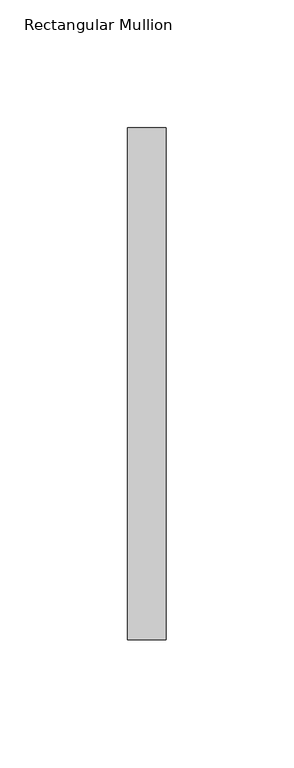
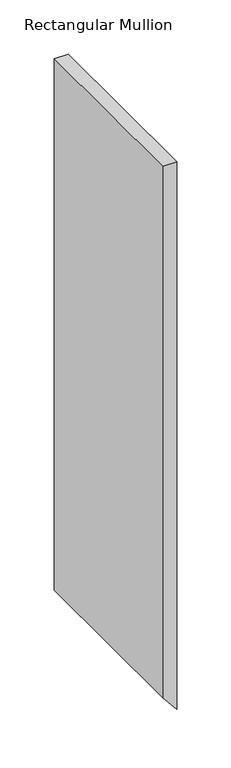
"""IFC4 building model written with IfcOpenShell, lengths in millimetres: member geometry, Rectangular Mullion."""

from ifc_helpers import new_model, si_unit, frame, origin, place, context, project, spatial, polyline, outline, extrude, source, transform, mapped, element, save


def rectangular_mullion_c7b912de(model_context):
    return source(origin(), model_context, "Body", "SweptSolid", [
        extrude(outline(polyline([(0.0, 0.0), (0.0, -15.0), (-598.8437294, -15.0), (-616.6914121, 0.0), (0.0, 0.0)])), frame((0.0, 53.0, 0.0), z_axis=(0.0, 1.0, 0.0), x_axis=(0.0, 0.0, 1.0)), (0.0, 0.0, 1.0), 200.0),
    ])


if __name__ == "__main__":
    model = new_model("IFC4")
    model_context = context("Model", 3, world=origin())
    ifc_project = project(units=[si_unit("LENGTHUNIT", "METRE", prefix="MILLI")], contexts=[model_context])
    site = spatial("IfcSite", under=ifc_project)
    building = spatial("IfcBuilding", under=site)
    placement = place(None, origin())
    rectangular_mullion_shape = rectangular_mullion_c7b912de(model_context)
    element("IfcMember", 1, ObjectType="Rectangular Mullion", at=placement, inside=building, context=model_context, shape_type="MappedRepresentation", body=[
        mapped(rectangular_mullion_shape, transform((0.0, 0.0, 0.0), x_axis=(1.0, 0.0, 0.0), y_axis=(0.0, 1.0, 0.0), z_axis=(0.0, 0.0, 1.0))),
    ])
    save(model, "model.ifc")
